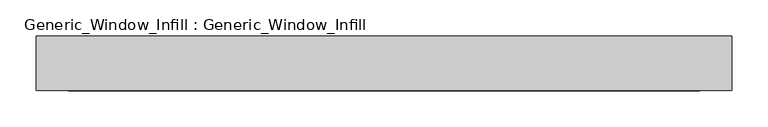
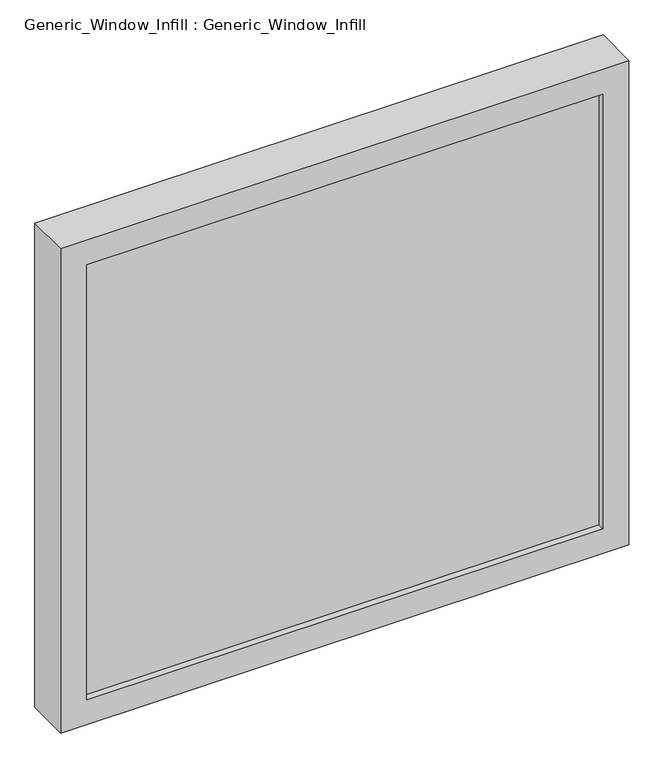
"""IFC4 building model written with IfcOpenShell, lengths in millimetres: plate geometry, Generic_Window_Infill : Generic_Window_Infill."""

from ifc_helpers import new_model, si_unit, frame, origin, place, context, project, spatial, polyline, outline, extrude, source, transform, mapped, element, save


def generic_window_infill_generic_window_infill_b335d0a8(model_context):
    return source(origin(), model_context, "Body", "SweptSolid", [
        extrude(outline(polyline([(438.15, 12.0261239), (-438.15, 12.0261239), (-438.15, 42.4497356), (438.15, 42.4497356), (438.15, 12.0261239)])), frame((0.0, 0.0, 44.45), z_axis=(0.0, 0.0, 1.0), x_axis=(1.0, 0.0, 0.0)), (0.0, 0.0, 1.0), 781.05),
        extrude(outline(polyline([(869.95, 482.6), (869.95, -482.6), (0.0, -482.6), (0.0, 482.6), (869.95, 482.6)]), holes=[polyline([(44.45, 438.15), (44.45, -438.15), (825.5, -438.15), (825.5, 438.15), (44.45, 438.15)])]), frame((0.0, 0.0, 0.0), z_axis=(0.0, 1.0, 0.0), x_axis=(0.0, 0.0, 1.0)), (0.0, 0.0, 1.0), 76.2),
    ])


if __name__ == "__main__":
    model = new_model("IFC4")
    model_context = context("Model", 3, world=origin())
    ifc_project = project(units=[si_unit("LENGTHUNIT", "METRE", prefix="MILLI")], contexts=[model_context])
    site = spatial("IfcSite", under=ifc_project)
    building = spatial("IfcBuilding", under=site)
    placement = place(None, origin())
    generic_window_infill_generic_window_infill_shape = generic_window_infill_generic_window_infill_b335d0a8(model_context)
    element("IfcPlate", 1, ObjectType="Generic_Window_Infill : Generic_Window_Infill", at=placement, inside=building, context=model_context, shape_type="MappedRepresentation", body=[
        mapped(generic_window_infill_generic_window_infill_shape, transform((0.0, 0.0, 0.0), x_axis=(1.0, 0.0, 0.0), y_axis=(0.0, 1.0, 0.0), z_axis=(0.0, 0.0, 1.0))),
    ])
    save(model, "model.ifc")
